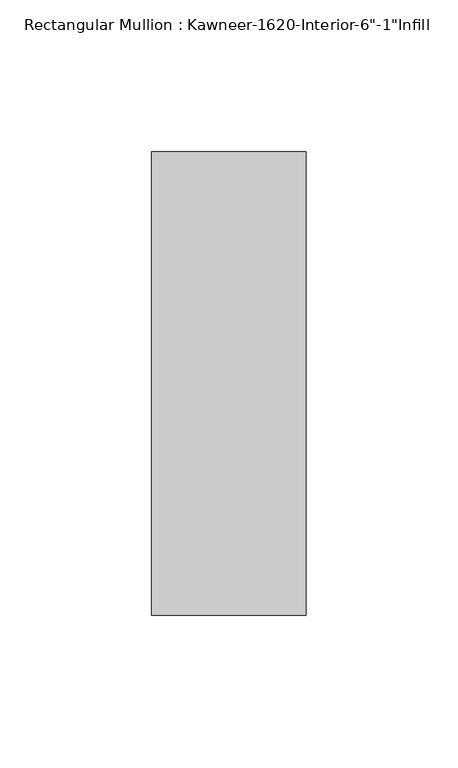
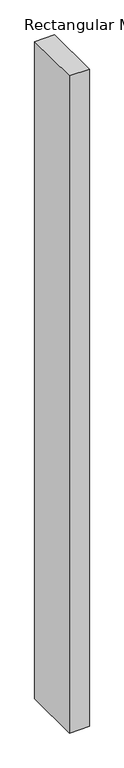
"""IFC4 building model written with IfcOpenShell, lengths in millimetres: member geometry."""

from ifc_helpers import new_model, si_unit, frame, origin, place, context, project, spatial, polyline, outline, extrude, source, transform, mapped, element, save


def member_a8e26f64(model_context):
    return source(origin(), model_context, "Body", "SweptSolid", [
        extrude(outline(polyline([(25.4, -114.3), (-25.4, -114.3), (-25.4, 38.1), (25.4, 38.1), (25.4, -114.3)])), frame((0.0, 0.0, -1765.3), z_axis=(0.0, 0.0, 1.0), x_axis=(1.0, 0.0, 0.0)), (0.0, 0.0, 1.0), 1765.3),
    ])


if __name__ == "__main__":
    model = new_model("IFC4")
    model_context = context("Model", 3, world=origin())
    ifc_project = project(units=[si_unit("LENGTHUNIT", "METRE", prefix="MILLI")], contexts=[model_context])
    site = spatial("IfcSite", under=ifc_project)
    building = spatial("IfcBuilding", under=site)
    placement = place(None, origin())
    member_shape = member_a8e26f64(model_context)
    element("IfcMember", 1, ObjectType="Rectangular Mullion : Kawneer-1620-Interior-6\"-1\"Infill", at=placement, inside=building, context=model_context, shape_type="MappedRepresentation", body=[
        mapped(member_shape, transform((0.0, 0.0, 0.0), x_axis=(1.0, 0.0, 0.0), y_axis=(0.0, 1.0, 0.0), z_axis=(0.0, 0.0, 1.0))),
    ])
    save(model, "model.ifc")
